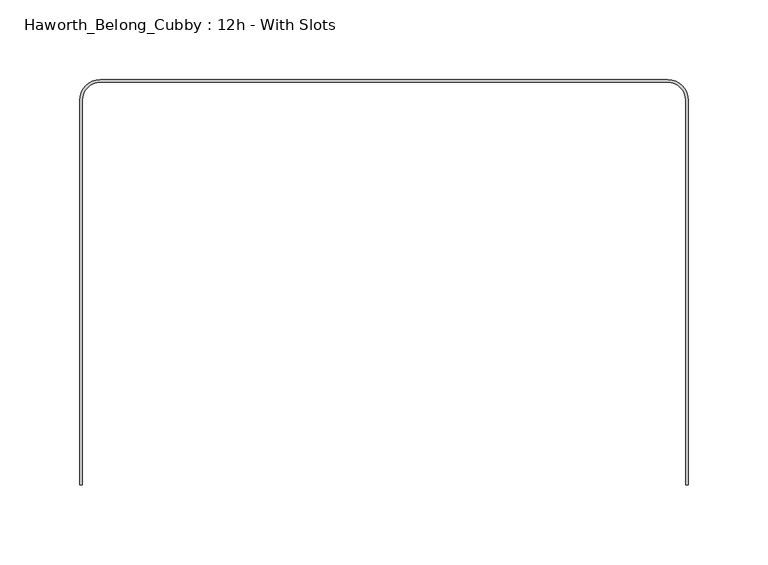
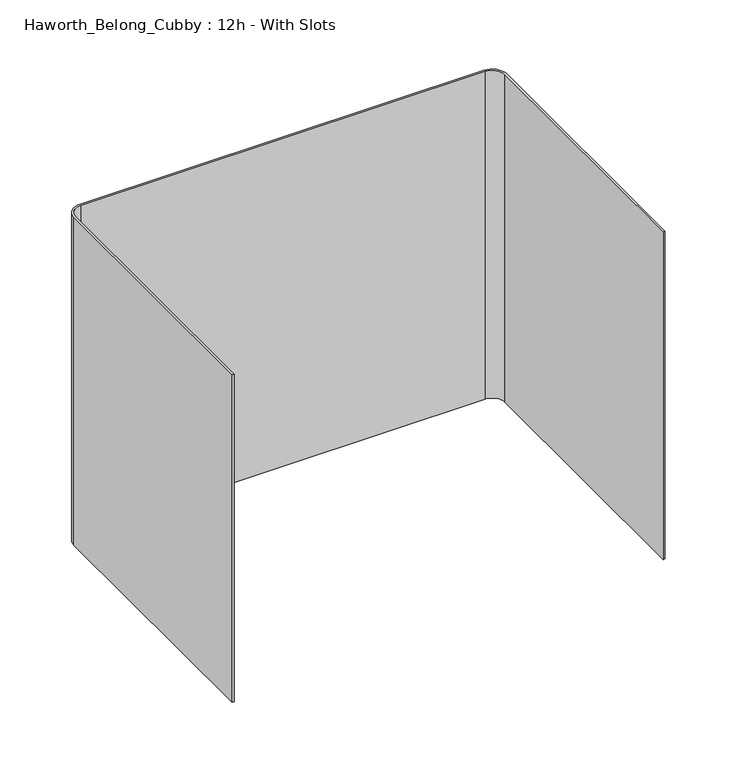
"""IFC4 building model written with IfcOpenShell, lengths in millimetres: furniture geometry, Haworth_Belong_Cubby : 12h - With Slots."""

from ifc_helpers import new_model, si_unit, point, frame, frame_2d, origin, place, context, project, spatial, polyline, circle_curve, trimmed, segment, composite_curve, outline, extrude, source, transform, mapped, element, save


def haworth_belong_cubby_12h_with_slots_17aea579(model_context):
    return source(origin(), model_context, "Body", "SweptSolid", [
        extrude(outline(composite_curve([segment(polyline([(-190.5, -253.20625), (-190.5, -11.90625)]), True, "CONTINUOUS"), segment(trimmed(circle_curve(frame_2d((-177.8, -11.90625)), 12.7), [point((-190.5, -11.90625))], [point((-177.8, 0.79375))], False, "CARTESIAN"), True, "CONTINUOUS"), segment(polyline([(-177.8, 0.79375), (177.8, 0.79375)]), True, "CONTINUOUS"), segment(trimmed(circle_curve(frame_2d((177.8, -11.90625)), 12.7), [point((177.8, 0.79375))], [point((190.5, -11.90625))], False, "CARTESIAN"), True, "CONTINUOUS"), segment(polyline([(190.5, -11.90625), (190.5, -253.20625), (188.9125, -253.20625), (188.9125, -11.90625)]), True, "CONTINUOUS"), segment(trimmed(circle_curve(frame_2d((177.8, -11.90625)), 11.1125), [point((188.9125, -11.90625))], [point((177.8, -0.79375))], True, "CARTESIAN"), True, "CONTINUOUS"), segment(polyline([(177.8, -0.79375), (-177.8, -0.79375)]), True, "CONTINUOUS"), segment(trimmed(circle_curve(frame_2d((-177.8, -11.90625)), 11.1125), [point((-177.8, -0.79375))], [point((-188.9125, -11.90625))], True, "CARTESIAN"), True, "CONTINUOUS"), segment(polyline([(-188.9125, -11.90625), (-188.9125, -253.20625), (-190.5, -253.20625)]), True, "CONTINUOUS")], self_intersect=False)), frame((0.0, 0.0, 762.0), z_axis=(0.0, 0.0, 1.0), x_axis=(1.0, 0.0, 0.0)), (0.0, 0.0, 1.0), 304.8),
    ])


if __name__ == "__main__":
    model = new_model("IFC4")
    model_context = context("Model", 3, world=origin())
    ifc_project = project(units=[si_unit("LENGTHUNIT", "METRE", prefix="MILLI")], contexts=[model_context])
    site = spatial("IfcSite", under=ifc_project)
    building = spatial("IfcBuilding", under=site)
    placement = place(None, origin())
    haworth_belong_cubby_12h_with_slots_shape = haworth_belong_cubby_12h_with_slots_17aea579(model_context)
    element("IfcFurniture", 1, ObjectType="Haworth_Belong_Cubby : 12h - With Slots", at=placement, inside=building, context=model_context, shape_type="MappedRepresentation", body=[
        mapped(haworth_belong_cubby_12h_with_slots_shape, transform((0.0, 0.0, 0.0), x_axis=(1.0, 0.0, 0.0), y_axis=(0.0, 1.0, 0.0), z_axis=(0.0, 0.0, 1.0))),
    ])
    save(model, "model.ifc")
